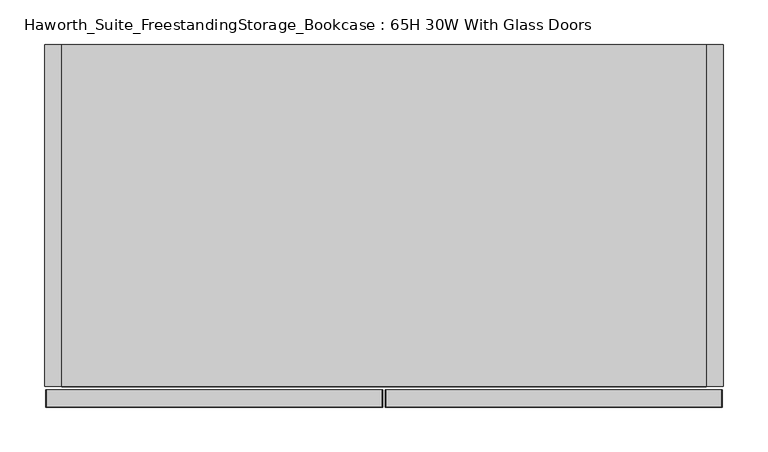
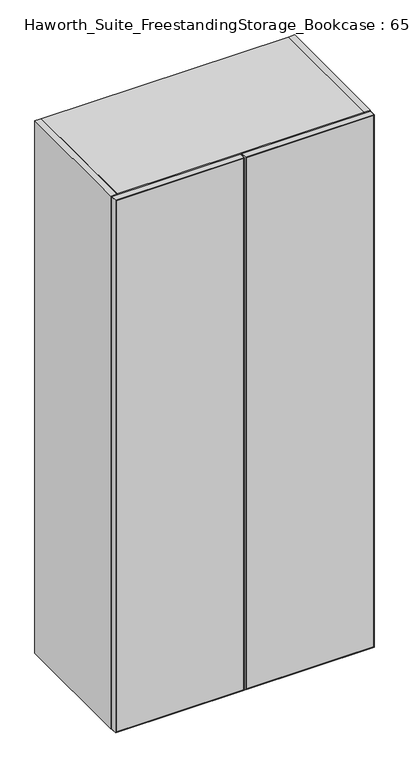
"""IFC4 building model written with IfcOpenShell, lengths in millimetres: furniture geometry, Haworth_Suite_FreestandingStorage_Bookcase : 65H 30W With Glass Doors."""

from ifc_helpers import new_model, si_unit, frame, origin, origin_with_axes, place, context, project, spatial, polyline, outline, extrude, source, transform, mapped, element, save


def haworth_suite_freestandingstorage_bookcase_65h_30w_with_80c94d43(model_context):
    return source(origin(), model_context, "Body", "SweptSolid", [
        extrude(outline(polyline([(1651.0, -14.2875), (1649.4125, -15.875), (1.5875, -15.875), (0.0, -14.2875), (1651.0, -14.2875)])), frame((0.0, -419.89375, 0.0), z_axis=(0.0, 1.0, 0.0), x_axis=(0.0, 0.0, 1.0)), (0.0, 0.0, 1.0), 19.05),
        extrude(outline(polyline([(1651.0, -392.1125), (0.0, -392.1125), (1.5875, -390.525), (1649.4125, -390.525), (1651.0, -392.1125)])), frame((0.0, -419.89375, 0.0), z_axis=(0.0, 1.0, 0.0), x_axis=(0.0, 0.0, 1.0)), (0.0, 0.0, 1.0), 19.05),
        extrude(outline(polyline([(1649.4125, -15.875), (1651.0, -14.2875), (1651.0, -392.1125), (1649.4125, -390.525), (1649.4125, -15.875)])), frame((0.0, -419.89375, 0.0), z_axis=(0.0, 1.0, 0.0), x_axis=(0.0, 0.0, 1.0)), (0.0, 0.0, 1.0), 19.05),
        extrude(outline(polyline([(1.5875, -15.875), (1.5875, -390.525), (0.0, -392.1125), (0.0, -14.2875), (1.5875, -15.875)])), frame((0.0, -419.89375, 0.0), z_axis=(0.0, 1.0, 0.0), x_axis=(0.0, 0.0, 1.0)), (0.0, 0.0, 1.0), 19.05),
        extrude(outline(polyline([(-390.525, -401.6375), (-15.875, -401.6375), (-15.875, -419.1), (-390.525, -419.1), (-390.525, -401.6375)])), frame((0.0, 0.0, 1.5875), z_axis=(0.0, 0.0, 1.0), x_axis=(1.0, 0.0, 0.0)), (0.0, 0.0, 1.0), 1647.825),
        extrude(outline(polyline([(1651.0, -11.1125), (0.0, -11.1125), (1.5875, -9.525), (1649.4125, -9.525), (1651.0, -11.1125)])), frame((0.0, -419.89375, 0.0), z_axis=(0.0, 1.0, 0.0), x_axis=(0.0, 0.0, 1.0)), (0.0, 0.0, 1.0), 19.05),
        extrude(outline(polyline([(1651.0, 366.7125), (1649.4125, 365.125), (1.5875, 365.125), (0.0, 366.7125), (1651.0, 366.7125)])), frame((0.0, -419.89375, 0.0), z_axis=(0.0, 1.0, 0.0), x_axis=(0.0, 0.0, 1.0)), (0.0, 0.0, 1.0), 19.05),
        extrude(outline(polyline([(1649.4125, -9.525), (1649.4125, 365.125), (1651.0, 366.7125), (1651.0, -11.1125), (1649.4125, -9.525)])), frame((0.0, -419.89375, 0.0), z_axis=(0.0, 1.0, 0.0), x_axis=(0.0, 0.0, 1.0)), (0.0, 0.0, 1.0), 19.05),
        extrude(outline(polyline([(1.5875, -9.525), (0.0, -11.1125), (0.0, 366.7125), (1.5875, 365.125), (1.5875, -9.525)])), frame((0.0, -419.89375, 0.0), z_axis=(0.0, 1.0, 0.0), x_axis=(0.0, 0.0, 1.0)), (0.0, 0.0, 1.0), 19.05),
        extrude(outline(polyline([(365.125, -401.6375), (365.125, -419.1), (-9.525, -419.1), (-9.525, -401.6375), (365.125, -401.6375)])), frame((0.0, 0.0, 1.5875), z_axis=(0.0, 0.0, 1.0), x_axis=(1.0, 0.0, 0.0)), (0.0, 0.0, 1.0), 1647.825),
        extrude(outline(polyline([(349.25, -31.75), (349.25, -377.825), (-374.65, -377.825), (-374.65, -31.75), (349.25, -31.75)])), frame((0.0, 0.0, 431.8), z_axis=(0.0, 0.0, 1.0), x_axis=(1.0, 0.0, 0.0)), (0.0, 0.0, 1.0), 19.05),
        extrude(outline(polyline([(349.25, -31.75), (349.25, -377.825), (-374.65, -377.825), (-374.65, -31.75), (349.25, -31.75)])), frame((0.0, 0.0, 831.85), z_axis=(0.0, 0.0, 1.0), x_axis=(1.0, 0.0, 0.0)), (0.0, 0.0, 1.0), 19.05),
        extrude(outline(polyline([(349.25, -31.75), (349.25, -377.825), (-374.65, -377.825), (-374.65, -31.75), (349.25, -31.75)])), frame((0.0, 0.0, 1231.9), z_axis=(0.0, 0.0, 1.0), x_axis=(1.0, 0.0, 0.0)), (0.0, 0.0, 1.0), 19.05),
        extrude(outline(polyline([(349.25, -12.7), (349.25, -396.875), (-374.65, -396.875), (-374.65, -12.7), (349.25, -12.7)])), frame((0.0, 0.0, 1631.95), z_axis=(0.0, 0.0, 1.0), x_axis=(1.0, 0.0, 0.0)), (0.0, 0.0, 1.0), 19.05),
        extrude(outline(polyline([(349.25, -12.7), (349.25, -31.75), (-374.65, -31.75), (-374.65, -12.7), (349.25, -12.7)])), origin_with_axes(), (0.0, 0.0, 1.0), 1631.95),
        extrude(outline(polyline([(349.25, -31.75), (349.25, -396.875), (-374.65, -396.875), (-374.65, -31.75), (349.25, -31.75)])), origin_with_axes(), (0.0, 0.0, 1.0), 38.1),
        extrude(outline(polyline([(-374.65, -12.7), (-374.65, -396.875), (-393.7, -396.875), (-393.7, -12.7), (-374.65, -12.7)])), origin_with_axes(), (0.0, 0.0, 1.0), 1651.0),
        extrude(outline(polyline([(368.3, -396.875), (349.25, -396.875), (349.25, -12.7), (368.3, -12.7), (368.3, -396.875)])), origin_with_axes(), (0.0, 0.0, 1.0), 1651.0),
    ])


if __name__ == "__main__":
    model = new_model("IFC4")
    model_context = context("Model", 3, world=origin())
    ifc_project = project(units=[si_unit("LENGTHUNIT", "METRE", prefix="MILLI")], contexts=[model_context])
    site = spatial("IfcSite", under=ifc_project)
    building = spatial("IfcBuilding", under=site)
    placement = place(None, origin())
    haworth_suite_freestandingstorage_bookcase_65h_30w_with_shape = haworth_suite_freestandingstorage_bookcase_65h_30w_with_80c94d43(model_context)
    element("IfcFurniture", 1, ObjectType="Haworth_Suite_FreestandingStorage_Bookcase : 65H 30W With Glass Doors", at=placement, inside=building, context=model_context, shape_type="MappedRepresentation", body=[
        mapped(haworth_suite_freestandingstorage_bookcase_65h_30w_with_shape, transform((0.0, 0.0, 0.0), x_axis=(1.0, 0.0, 0.0), y_axis=(0.0, 1.0, 0.0), z_axis=(0.0, 0.0, 1.0))),
    ])
    save(model, "model.ifc")
